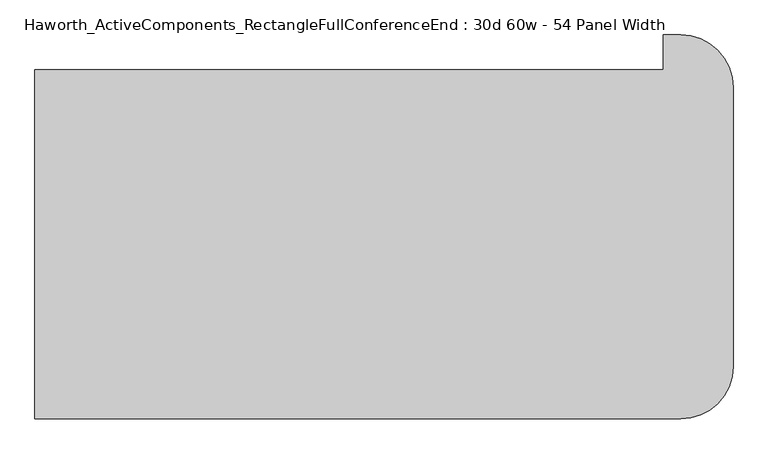
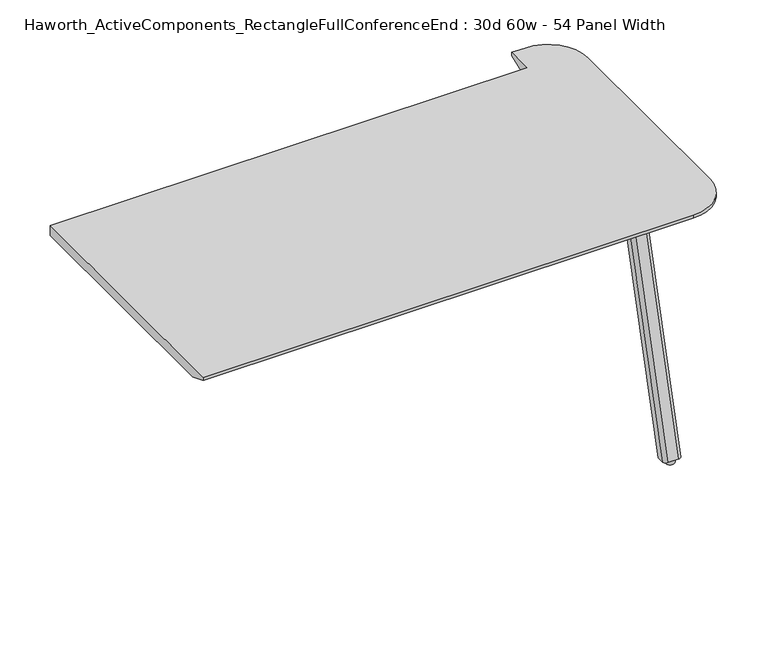
"""IFC4 building model written with IfcOpenShell, lengths in millimetres: furniture geometry, Haworth_ActiveComponents_RectangleFullConferenceEnd : 30d 60w - 54 Panel Width."""

from ifc_helpers import new_model, si_unit, point, frame, frame_2d, origin, origin_with_axes, place, context, project, spatial, polyline, circle_curve, trimmed, segment, composite_curve, outline, extrude, source, transform, mapped, element, save
from ifc_brep_helpers import plane_surface, cylinder_surface, revolved_surface, extruded_surface, advanced_brep


def haworth_activecomponents_rectanglefullconferenceend_30d_60w_848a2ca2(model_context):
    return source(origin(), model_context, "Body", "SolidModel", [
        extrude(outline(composite_curve([segment(trimmed(circle_curve(frame_2d((1056.894, -307.6605172)), 9.525), [point((1056.894, -298.1355172))], [point((1066.419, -307.6605172))], False, "CARTESIAN"), True, "CONTINUOUS"), segment(polyline([(1066.419, -307.6605172), (1066.419, -390.3338866)]), True, "CONTINUOUS"), segment(trimmed(circle_curve(frame_2d((1056.894, -390.3338866)), 9.525), [point((1066.419, -390.3338866))], [point((1056.894, -399.8588866))], False, "CARTESIAN"), True, "CONTINUOUS"), segment(polyline([(1056.894, -399.8588866), (948.9440004, -399.8588866)]), True, "CONTINUOUS"), segment(trimmed(circle_curve(frame_2d((948.9440004, -390.3338866)), 9.525), [point((948.9440004, -399.8588866))], [point((939.4190004, -390.3338866))], False, "CARTESIAN"), True, "CONTINUOUS"), segment(polyline([(939.4190004, -390.3338866), (939.4190004, -307.6605172)]), True, "CONTINUOUS"), segment(trimmed(circle_curve(frame_2d((948.9440004, -307.6605172)), 9.525), [point((939.4190004, -307.6605172))], [point((948.9440004, -298.1355172))], False, "CARTESIAN"), True, "CONTINUOUS"), segment(polyline([(948.9440004, -298.1355172), (1056.894, -298.1355172)]), True, "CONTINUOUS")], self_intersect=False)), frame((0.0, 0.0, 705.2055742), z_axis=(0.0, 0.0, 1.0), x_axis=(1.0, 0.0, 0.0)), (0.0, 0.0, 1.0), 5.9944258),
        advanced_brep(
        [(1050.925, -392.6347266, 705.2055742), (1060.45, -383.1097266, 705.2055742), (1060.45, -362.4722266, 705.2055742), (1009.65, -362.4722266, 705.2055742), (1009.65, -383.1097266, 705.2055742), (1019.175, -392.6347266, 705.2055742), (1050.925, -579.1230172, 12.7), (1019.175, -579.1230172, 12.7), (1009.65, -569.5980172, 12.7), (1009.65, -548.9605172, 12.7), (1060.45, -548.9605172, 12.7), (1060.45, -569.5980172, 12.7)],
        [
            (0, 1, circle_curve(frame((1050.925, -383.1097266, 705.2055742), z_axis=(0.0, 0.0, 1.0), x_axis=(1.0, 0.0, 0.0)), 9.525)),
            (1, 2),
            (2, 3),
            (3, 4),
            (4, 5, circle_curve(frame((1019.175, -383.1097266, 705.2055742), z_axis=(0.0, 0.0, 1.0), x_axis=(1.0, 0.0, 0.0)), 9.525)),
            (5, 0),
            (6, 7),
            (7, 8, circle_curve(frame((1019.175, -569.5980172, 12.7), z_axis=(0.0, 0.0, -1.0), x_axis=(1.0, 0.0, 0.0)), 9.525)),
            (8, 9),
            (9, 10),
            (10, 11),
            (11, 6, circle_curve(frame((1050.925, -569.5980172, 12.7), z_axis=(0.0, 0.0, -1.0), x_axis=(1.0, 0.0, 0.0)), 9.525)),
            (11, 1),
            (0, 6),
            (10, 2),
            (9, 3),
            (8, 4),
            (7, 5),
        ],
        [
            plane_surface(frame((1035.05, -379.4055599, 705.2055742), z_axis=(0.0, 0.0, 1.0), x_axis=(-1.0, 0.0, 0.0))),
            plane_surface(frame((1035.05, -565.8938506, 12.7), z_axis=(0.0, 0.0, -1.0), x_axis=(-1.0, 0.0, 0.0))),
            extruded_surface(trimmed(circle_curve(frame((1050.925, -569.5980172, 12.7), z_axis=(0.0, 0.0, 1.0), x_axis=(1.0, 0.0, 0.0)), 9.525), [point((1050.925, -579.1230172, 12.7))], [point((1060.45, -569.5980172, 12.7))], True, "CARTESIAN"), (0.0, 186.48829059999997, 692.5055742), 717.1763052618105),
            plane_surface(frame((1060.45, -559.2792672, 12.7), z_axis=(1.0, 0.0, 0.0), x_axis=(0.0, 1.0, 0.0))),
            plane_surface(frame((1035.05, -548.9605172, 12.7), z_axis=(0.0, 0.9656001865922422, -0.260031305140414), x_axis=(-1.0, 0.0, 0.0))),
            plane_surface(frame((1009.65, -559.2792672, 12.7), z_axis=(-1.0, 0.0, 0.0), x_axis=(0.0, -1.0, 0.0))),
            extruded_surface(trimmed(circle_curve(frame((1019.175, -569.5980172, 12.7), z_axis=(0.0, 0.0, 1.0), x_axis=(1.0, 0.0, 0.0)), 9.525), [point((1009.65, -569.5980172, 12.7))], [point((1019.175, -579.1230172, 12.7))], True, "CARTESIAN"), (0.0, 186.48829059999997, 692.5055742), 717.1763052618105),
            plane_surface(frame((1035.05, -579.1230172, 12.7), z_axis=(0.0, -0.9656001865922422, 0.260031305140414), x_axis=(1.0, 0.0, 0.0))),
        ],
        [
            (0, [[1, 2, 3, 4, 5, 6]]),
            (1, [[7, 8, 9, 10, 11, 12]]),
            (2, [[-12, 13, -1, 14]]),
            (3, [[-11, 15, -2, -13]]),
            (4, [[-10, 16, -3, -15]]),
            (5, [[-9, 17, -4, -16]]),
            (6, [[-8, 18, -5, -17]]),
            (7, [[-7, -14, -6, -18]]),
        ],
    ),
        extrude(outline(composite_curve([segment(trimmed(circle_curve(frame_2d((1035.05, -563.2480172)), 12.7), [point((1022.35, -563.2480172))], [point((1047.75, -563.2480172))], False, "CARTESIAN"), True, "CONTINUOUS"), segment(trimmed(circle_curve(frame_2d((1035.05, -563.2480172)), 12.7), [point((1047.75, -563.2480172))], [point((1022.35, -563.2480172))], False, "CARTESIAN"), True, "CONTINUOUS")], self_intersect=False)), origin_with_axes(), (0.0, 0.0, 1.0), 12.7),
        advanced_brep(
        [(1054.1, 181.2465234, 741.3625), (-317.5, 181.2465234, 741.3625), (-317.5, -580.7534766, 741.3625), (1092.2, -580.7534766, 741.3625), (1206.5, -466.4534766, 741.3625), (1206.5, 143.1465234, 741.3625), (1092.2, 257.4465234, 741.3625), (1054.1, 257.4465234, 741.3625), (-317.5, 181.2465234, 711.2), (1054.1, 181.2465234, 711.2), (1054.1, 206.6465234, 711.2), (1092.2, 206.6465234, 711.2), (1155.7, 143.1465234, 711.2), (1155.7, -466.4534766, 711.2), (1092.2, -529.9534766, 711.2), (-317.5, -529.9534766, 711.2), (-317.5, -580.7534766, 731.8375), (1092.2, -580.7534766, 731.8375), (1206.5, -466.4534766, 731.8375), (1206.5, 143.1465234, 731.8375), (1092.2, 257.4465234, 731.8375), (1054.1, 257.4465234, 731.8375)],
        [
            (0, 1),
            (1, 2),
            (2, 3),
            (3, 4, circle_curve(frame((1092.2, -466.4534766, 741.3625), z_axis=(0.0, 0.0, 1.0), x_axis=(1.0, 0.0, 0.0)), 114.3)),
            (4, 5),
            (5, 6, circle_curve(frame((1092.2, 143.1465234, 741.3625), z_axis=(0.0, 0.0, 1.0), x_axis=(1.0, 0.0, 0.0)), 114.3)),
            (6, 7),
            (7, 0),
            (8, 9),
            (9, 10),
            (10, 11),
            (11, 12, circle_curve(frame((1092.2, 143.1465234, 711.2), z_axis=(0.0, 0.0, -1.0), x_axis=(1.0, 0.0, 0.0)), 63.5)),
            (12, 13),
            (13, 14, circle_curve(frame((1092.2, -466.4534766, 711.2), z_axis=(0.0, 0.0, -1.0), x_axis=(0.0, -1.0, 0.0)), 63.5)),
            (14, 15),
            (15, 8),
            (0, 9),
            (8, 1),
            (15, 16),
            (16, 2),
            (16, 17),
            (17, 3),
            (4, 18),
            (18, 19),
            (19, 5),
            (17, 18, circle_curve(frame((1092.2, -466.4534766, 731.8375), z_axis=(0.0, 0.0, 1.0), x_axis=(1.0, 0.0, 0.0)), 114.3)),
            (6, 20),
            (20, 21),
            (21, 7),
            (21, 10),
            (14, 17),
            (13, 18),
            (12, 19),
            (11, 20),
            (20, 19, circle_curve(frame((1092.2, 143.1465234, 731.8375), z_axis=(0.0, 0.0, -1.0), x_axis=(1.0, 0.0, 0.0)), 114.3)),
        ],
        [
            plane_surface(frame((-317.5, 181.2465234, 741.3625), z_axis=(0.0, 0.0, 1.0), x_axis=(-1.0, 0.0, 0.0))),
            plane_surface(frame((-317.5, 181.2465234, 711.2), z_axis=(0.0, 0.0, -1.0), x_axis=(1.0, 0.0, 0.0))),
            plane_surface(frame((1054.1, 181.2465234, 741.3625), z_axis=(0.0, 1.0, 0.0), x_axis=(0.0, 0.0, -1.0))),
            plane_surface(frame((-317.5, 181.2465234, 741.3625), z_axis=(-1.0, 0.0, 0.0), x_axis=(0.0, 0.0, -1.0))),
            plane_surface(frame((-317.5, -580.7534766, 741.3625), z_axis=(0.0, -1.0, 0.0), x_axis=(0.0, 0.0, -1.0))),
            plane_surface(frame((1206.5, -466.4534766, 741.3625), z_axis=(1.0, 0.0, 0.0), x_axis=(0.0, 0.0, -1.0))),
            cylinder_surface(frame((1092.2, -466.4534766, 711.2), z_axis=(0.0, 0.0, 1.0), x_axis=(1.0, 0.0, 0.0)), 114.3),
            plane_surface(frame((1092.2, 257.4465234, 741.3625), z_axis=(0.0, 1.0, 0.0), x_axis=(0.0, 0.0, -1.0))),
            plane_surface(frame((1054.1, 257.4465234, 741.3625), z_axis=(-1.0, 0.0, 0.0), x_axis=(0.0, 0.0, -1.0))),
            plane_surface(frame((-317.5, -580.7534766, 731.8375), z_axis=(0.0, -0.3763770469576607, -0.9264665771216094), x_axis=(1.0, 0.0, 0.0))),
            revolved_surface(polyline([(1092.2, -529.9534766, 711.2), (1092.2, -580.7534766, 731.8375)]), (1092.2, -466.4534766, 0.0), (0.0, 0.0, 1.0)),
            plane_surface(frame((1206.5, -466.4534766, 731.8375), z_axis=(0.3763770469576607, 0.0, -0.9264665771216094), x_axis=(0.0, 1.0, 0.0))),
            revolved_surface(polyline([(1155.7, 143.1465234, 711.2), (1206.5, 143.1465234, 731.8375)]), (1092.2, 143.1465234, 0.0), (0.0, 0.0, 1.0)),
            plane_surface(frame((1092.2, 257.4465234, 731.8375), z_axis=(0.0, 0.3763770469576607, -0.9264665771216094), x_axis=(-1.0, 0.0, 0.0))),
            cylinder_surface(frame((1092.2, 143.1465234, 711.2), z_axis=(0.0, 0.0, 1.0), x_axis=(1.0, 0.0, 0.0)), 114.3),
        ],
        [
            (0, [[1, 2, 3, 4, 5, 6, 7, 8]]),
            (1, [[9, 10, 11, 12, 13, 14, 15, 16]]),
            (2, [[-1, 17, -9, 18]]),
            (3, [[-2, -18, -16, 19, 20]]),
            (4, [[-3, -20, 21, 22]]),
            (5, [[-5, 23, 24, 25]]),
            (6, [[-4, -22, 26, -23]]),
            (7, [[-7, 27, 28, 29]]),
            (8, [[-8, -29, 30, -10, -17]]),
            (9, [[31, -21, -19, -15]]),
            (10, [[-31, -14, 32, -26]]),
            (11, [[-32, -13, 33, -24]]),
            (12, [[-33, -12, 34, 35]]),
            (13, [[-34, -11, -30, -28]]),
            (14, [[-6, -25, -35, -27]]),
        ],
    ),
    ])


if __name__ == "__main__":
    model = new_model("IFC4")
    model_context = context("Model", 3, world=origin())
    ifc_project = project(units=[si_unit("LENGTHUNIT", "METRE", prefix="MILLI")], contexts=[model_context])
    site = spatial("IfcSite", under=ifc_project)
    building = spatial("IfcBuilding", under=site)
    placement = place(None, origin())
    haworth_activecomponents_rectanglefullconferenceend_30d_60w_shape = haworth_activecomponents_rectanglefullconferenceend_30d_60w_848a2ca2(model_context)
    element("IfcFurniture", 1, ObjectType="Haworth_ActiveComponents_RectangleFullConferenceEnd : 30d 60w - 54 Panel Width", at=placement, inside=building, context=model_context, shape_type="MappedRepresentation", body=[
        mapped(haworth_activecomponents_rectanglefullconferenceend_30d_60w_shape, transform((0.0, 0.0, 0.0), x_axis=(1.0, 0.0, 0.0), y_axis=(0.0, 1.0, 0.0), z_axis=(0.0, 0.0, 1.0))),
    ])
    save(model, "model.ifc")
